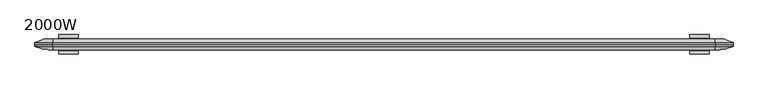
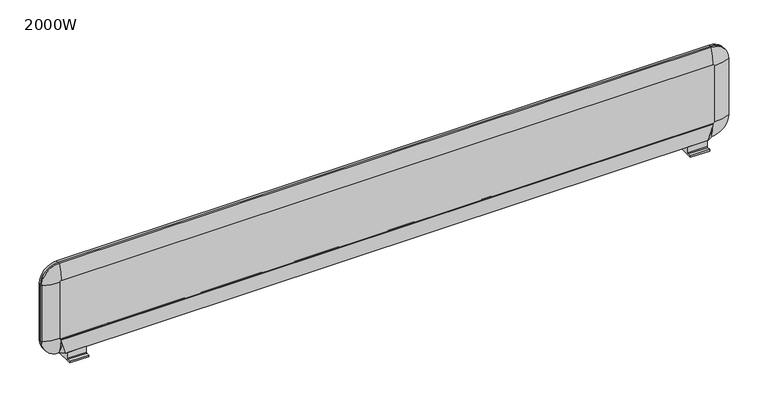
"""IFC4 building model written with IfcOpenShell, lengths in millimetres: furniture geometry, 2000W."""

import ifcopenshell
import ifcopenshell.guid

model = None  # the IFC model being written
_history = None  # IfcOwnerHistory: only IFC2X3 demands one
_inside = {}  # id of a spatial element -> (the spatial element, [elements in it])
_under = {}  # id of a project, library or spatial element -> (it, [spatial elements below it])
_declared = {}  # id of a project -> (the project, [libraries it declares])
_typed = {}  # id of a type object -> (the type object, [elements of that type])
_made_of = {}  # id of a material, layer set ... -> (it, [elements and type objects made of it])


def new_model(schema):
    """Start an empty IFC model of exactly this schema.

    Asked for "IFC4X3", IfcOpenShell would pick the latest addendum, in which some entities
    have other attributes; the version numbers below select the first issue.
    IFC2X3 requires an IfcOwnerHistory on every rooted entity: one is made here for all.
    """
    global model, _history
    if schema == "IFC4X3":
        model = ifcopenshell.file(schema_version=(4, 3, 0, 0))
    else:
        model = ifcopenshell.file(schema=schema)
    _inside.clear()
    _under.clear()
    _declared.clear()
    _typed.clear()
    _made_of.clear()
    _history = None
    if model.schema == "IFC2X3":
        org = make("IfcOrganization", Name="unknown")
        user = make(
            "IfcPersonAndOrganization",
            ThePerson=make("IfcPerson", FamilyName="unknown"),
            TheOrganization=org,
        )
        app = make(
            "IfcApplication",
            ApplicationDeveloper=org,
            Version="unknown",
            ApplicationFullName="unknown",
            ApplicationIdentifier="unknown",
        )
        _history = make(
            "IfcOwnerHistory",
            OwningUser=user,
            OwningApplication=app,
            ChangeAction="ADDED",
            CreationDate=0,
        )
    return model


def make(cls, **values):
    """One entity of the class cls with the attributes given. An attribute that is None is left unset."""
    return model.create_entity(
        cls, **{name: value for name, value in values.items() if value is not None}
    )


def rooted(cls, **values):
    """An entity with a GlobalId (a new one), such as an element, a storey or a relation."""
    return make(cls, GlobalId=ifcopenshell.guid.new(), OwnerHistory=_history, **values)


def si_unit(unit_type, name, prefix=None):
    """IfcSIUnit, for example si_unit("LENGTHUNIT", "METRE", prefix="MILLI")."""
    return make("IfcSIUnit", UnitType=unit_type, Prefix=prefix, Name=name)


def assignment(units):
    """IfcUnitAssignment: the units of a project."""
    return None if units is None else make("IfcUnitAssignment", Units=units)


def point(xyz):
    """IfcCartesianPoint."""
    return None if xyz is None else make("IfcCartesianPoint", Coordinates=xyz)


def direction(xyz):
    """IfcDirection."""
    return None if xyz is None else make("IfcDirection", DirectionRatios=xyz)


def frame(location, z_axis=None, x_axis=None):
    """IfcAxis2Placement3D, a coordinate frame: its origin and axes. An axis left out is left unset."""
    return make(
        "IfcAxis2Placement3D",
        Location=point(location),
        Axis=direction(z_axis),
        RefDirection=direction(x_axis),
    )


def frame_2d(location, x_axis=None):
    """IfcAxis2Placement2D, a coordinate frame in the plane: its origin and x axis."""
    return make(
        "IfcAxis2Placement2D", Location=point(location), RefDirection=direction(x_axis)
    )


def origin():
    """The frame at (0, 0, 0) with its axes left unset."""
    return frame((0.0, 0.0, 0.0))


def place(relative_to, where):
    """IfcLocalPlacement: puts the frame where relative to a parent placement (None: the world)."""
    return make(
        "IfcLocalPlacement", PlacementRelTo=relative_to, RelativePlacement=where
    )


def context(
    kind, dimensions, precision=None, world=None, true_north=None, identifier=None
):
    """IfcGeometricRepresentationContext, for example the 3D "Model" context."""
    return make(
        "IfcGeometricRepresentationContext",
        ContextIdentifier=identifier,
        ContextType=kind,
        CoordinateSpaceDimension=dimensions,
        Precision=precision,
        WorldCoordinateSystem=world,
        TrueNorth=true_north,
    )


def project(units=None, contexts=None):
    """IfcProject with its units and contexts."""
    return rooted(
        "IfcProject",
        Name="project",
        RepresentationContexts=contexts,
        UnitsInContext=assignment(units),
    )


def spatial(cls, under=None, at=None, **own):
    """A site, building, storey or space (cls), placed at a placement, below another one or the project."""
    s = rooted(cls, ObjectPlacement=at, **own)
    if under is not None:
        _under.setdefault(under.id(), (under, []))[1].append(s)
    return s


def polyline(points):
    """IfcPolyline through the points."""
    return make("IfcPolyline", Points=[point(p) for p in points])


def circle_curve(where, radius):
    """IfcCircle in the frame where."""
    return make("IfcCircle", Position=where, Radius=radius)


def ellipse_curve(where, semi_axis1, semi_axis2):
    """IfcEllipse in the frame where."""
    return make(
        "IfcEllipse", Position=where, SemiAxis1=semi_axis1, SemiAxis2=semi_axis2
    )


def trimmed(basis, trim1, trim2, sense, master):
    """IfcTrimmedCurve: the piece of a basis curve between two trims."""
    return make(
        "IfcTrimmedCurve",
        BasisCurve=basis,
        Trim1=trim1,
        Trim2=trim2,
        SenseAgreement=sense,
        MasterRepresentation=master,
    )


def segment(curve, same_sense, transition):
    """IfcCompositeCurveSegment."""
    return make(
        "IfcCompositeCurveSegment",
        Transition=transition,
        SameSense=same_sense,
        ParentCurve=curve,
    )


def composite_curve(segments, self_intersect=None):
    """IfcCompositeCurve: segments joined end to end."""
    return make("IfcCompositeCurve", Segments=segments, SelfIntersect=self_intersect)


def outline(outer, holes=None, kind="AREA"):
    """IfcArbitraryClosedProfileDef: a profile drawn as a closed curve; with holes, ...WithVoids."""
    if holes is None:
        return make("IfcArbitraryClosedProfileDef", ProfileType=kind, OuterCurve=outer)
    return make(
        "IfcArbitraryProfileDefWithVoids",
        ProfileType=kind,
        OuterCurve=outer,
        InnerCurves=holes,
    )


def extrude(swept, where, along, depth):
    """IfcExtrudedAreaSolid: the profile swept, set in the frame where, extruded along a direction by depth."""
    return make(
        "IfcExtrudedAreaSolid",
        SweptArea=swept,
        Position=where,
        ExtrudedDirection=direction(along),
        Depth=depth,
    )


def faces_of(points, faces, orient=None, outer=None):
    """IfcFace entities. A face is a list of loops; a loop is a list of indices into points, from 0.

    orient and outer hold one flag for each loop. By default every Orientation is true, the
    first loop of a face is its IfcFaceOuterBound and the others are IfcFaceBound.
    """
    made = []
    for i, loops in enumerate(faces):
        bounds = []
        for j, loop in enumerate(loops):
            is_outer = j == 0 if outer is None else outer[i][j]
            bounds.append(
                make(
                    "IfcFaceOuterBound" if is_outer else "IfcFaceBound",
                    Bound=make("IfcPolyLoop", Polygon=[points[k] for k in loop]),
                    Orientation=True if orient is None else orient[i][j],
                )
            )
        made.append(make("IfcFace", Bounds=bounds))
    return made


def faceted_brep(points, faces, orient=None, outer=None, voids=None):
    """IfcFacetedBrep: a solid bounded by flat faces; with voids (closed shells), ...WithVoids."""
    shared = [point(p) for p in points]
    hull = make("IfcClosedShell", CfsFaces=faces_of(shared, faces, orient, outer))
    if voids is None:
        return make("IfcFacetedBrep", Outer=hull)
    return make(
        "IfcFacetedBrepWithVoids",
        Outer=hull,
        Voids=[
            make(cls, CfsFaces=faces_of(shared, fs, o, b)) for cls, fs, o, b in voids
        ],
    )


def shape(context_of_items, identifier, shape_type, items):
    """IfcShapeRepresentation: the items that make up one representation, for example the "Body"."""
    return make(
        "IfcShapeRepresentation",
        ContextOfItems=context_of_items,
        RepresentationIdentifier=identifier,
        RepresentationType=shape_type,
        Items=items,
    )


def source(mapping_origin, context_of_items, identifier, shape_type, items):
    """IfcRepresentationMap: a shape defined once, which mapped items show again and again."""
    return make(
        "IfcRepresentationMap",
        MappingOrigin=mapping_origin,
        MappedRepresentation=shape(context_of_items, identifier, shape_type, items),
    )


def transform(
    local_origin,
    x_axis=None,
    y_axis=None,
    z_axis=None,
    scale=None,
    scale2=None,
    scale3=None,
    uniform=True,
):
    """IfcCartesianTransformationOperator3D, or its non-uniform kind. x_axis, y_axis, z_axis: its Axis1, 2, 3."""
    if uniform:
        return make(
            "IfcCartesianTransformationOperator3D",
            Axis1=direction(x_axis),
            Axis2=direction(y_axis),
            LocalOrigin=point(local_origin),
            Scale=scale,
            Axis3=direction(z_axis),
        )
    return make(
        "IfcCartesianTransformationOperator3DnonUniform",
        Axis1=direction(x_axis),
        Axis2=direction(y_axis),
        LocalOrigin=point(local_origin),
        Scale=scale,
        Axis3=direction(z_axis),
        Scale2=scale2,
        Scale3=scale3,
    )


def mapped(mapping_source, mapping_target):
    """IfcMappedItem: shows the shape of a source again, moved by a transform."""
    return make(
        "IfcMappedItem", MappingSource=mapping_source, MappingTarget=mapping_target
    )


def made_of(thing, what):
    """Note that an element or type object is made of a material, layer set ...; save() writes the relation."""
    if what is not None:
        _made_of.setdefault(what.id(), (what, []))[1].append(thing)
    return thing


def element(
    cls,
    number,
    at=None,
    inside=None,
    cuts=None,
    type_object=None,
    material=None,
    context=None,
    identifier="Body",
    shape_type=None,
    held_by="IfcProductDefinitionShape",
    body=None,
    shapes=None,
    **own,
):
    """One element of the class cls, such as IfcWall. Its Tag is "e" and its number.

    at: its placement. inside: the storey or other place that contains it. cuts: it is an
    opening in that element (IfcRelVoidsElement). A single representation is given by context,
    identifier, shape_type and body (its items); several are given by shapes. held_by: the class
    of the entity that holds the representations. save() writes the other relations.
    """
    e = rooted(cls, Tag="e%d" % number, ObjectPlacement=at, **own)
    if body is not None:
        shapes = [shape(context, identifier, shape_type, body)]
    if shapes is not None:
        e.Representation = make(held_by, Representations=shapes)
    if inside is not None:
        _inside.setdefault(inside.id(), (inside, []))[1].append(e)
    if cuts is not None:
        rooted(
            "IfcRelVoidsElement", RelatingBuildingElement=cuts, RelatedOpeningElement=e
        )
    if type_object is not None:
        _typed.setdefault(type_object.id(), (type_object, []))[1].append(e)
    return made_of(e, material)


def aggregate(whole, parts):
    """IfcRelAggregates: a whole, such as a stair, and the parts it consists of."""
    return rooted("IfcRelAggregates", RelatingObject=whole, RelatedObjects=parts)


def save(model, path):
    """Write the relations noted so far, then the file.

    IfcRelAggregates (storeys below a building ...), IfcRelContainedInSpatialStructure (elements
    in a storey), IfcRelDefinesByType, IfcRelAssociatesMaterial and IfcRelDeclares: one each for
    every whole, place, type object, material and project.
    """
    for whole, parts in _under.values():
        aggregate(whole, parts)
    for where, things in _inside.values():
        rooted(
            "IfcRelContainedInSpatialStructure",
            RelatedElements=things,
            RelatingStructure=where,
        )
    for kind, things in _typed.values():
        rooted("IfcRelDefinesByType", RelatedObjects=things, RelatingType=kind)
    for what, things in _made_of.values():
        rooted("IfcRelAssociatesMaterial", RelatedObjects=things, RelatingMaterial=what)
    for by, libraries in _declared.values():
        rooted("IfcRelDeclares", RelatingContext=by, RelatedDefinitions=libraries)
    model.write(path)


def plane_surface(at):
    """IfcPlane: the flat surface through the origin of the frame at, square to its z axis."""
    return make("IfcPlane", Position=at)


def cylinder_surface(at, radius):
    """IfcCylindricalSurface: all points at the distance radius from the z axis of the frame at."""
    return make("IfcCylindricalSurface", Position=at, Radius=radius)


def revolved_surface(curve, axis_point, axis_direction):
    """IfcSurfaceOfRevolution: the curve turned about the line through axis_point along axis_direction."""
    return make(
        "IfcSurfaceOfRevolution",
        SweptCurve=make("IfcArbitraryOpenProfileDef", ProfileType="CURVE", Curve=curve),
        AxisPosition=make("IfcAxis1Placement", Location=point(axis_point), Axis=direction(axis_direction)),
    )


def advanced_brep(points, edges, surfaces, faces):
    """IfcAdvancedBrep: a solid bounded by faces that lie on surfaces and meet in shared edges.

    An edge is (start, end): straight between two places in points (the first is 0);
    or (start, end, curve); or (start, end, curve, False) where it runs against its curve.
    A face is (place in surfaces, loops), or (place, loops, False) where it looks against
    its surface's normal. A loop lists edges by number (the first is 1), with a minus sign
    where the edge is run from its end to its start. The first loop is the outer one.
    """
    corners = [point(p) for p in points]
    vertices = [make("IfcVertexPoint", VertexGeometry=c) for c in corners]
    made = []
    for start, end, *more in edges:
        made.append(
            make(
                "IfcEdgeCurve",
                EdgeStart=vertices[start],
                EdgeEnd=vertices[end],
                EdgeGeometry=more[0] if more else make("IfcPolyline", Points=[corners[start], corners[end]]),
                SameSense=more[1] if len(more) > 1 else True,
            )
        )
    hull = []
    for where, loops, *sense in faces:
        bounds = []
        for j, loop in enumerate(loops):
            ring = [make("IfcOrientedEdge", EdgeElement=made[abs(k) - 1], Orientation=k > 0) for k in loop]
            bounds.append(
                make(
                    "IfcFaceOuterBound" if j == 0 else "IfcFaceBound",
                    Bound=make("IfcEdgeLoop", EdgeList=ring),
                    Orientation=True,
                )
            )
        hull.append(make("IfcAdvancedFace", Bounds=bounds, FaceSurface=surfaces[where], SameSense=sense[0] if sense else True))
    return make("IfcAdvancedBrep", Outer=make("IfcClosedShell", CfsFaces=hull))


def furniture_2000w_4a5990be(model_context):
    return source(origin(), model_context, "Body", "SolidModel", [
        extrude(outline(composite_curve([segment(polyline([(-16.0, 720.0), (16.0, 720.0), (16.0, 702.3182333)]), True, "CONTINUOUS"), segment(trimmed(circle_curve(frame_2d((18.0, 702.3182333)), 2.0), [point((16.0, 702.3182333))], [point((18.0, 700.3182333))], True, "CARTESIAN"), True, "CONTINUOUS"), segment(polyline([(18.0, 700.3182333), (28.0, 700.3182333), (28.0, 695.5000725), (-28.0, 695.5000725), (-28.0, 700.3182333), (-18.0, 700.3182333)]), True, "CONTINUOUS"), segment(trimmed(circle_curve(frame_2d((-18.0, 702.3182333)), 2.0), [point((-18.0, 700.3182333))], [point((-16.0, 702.3182333))], True, "CARTESIAN"), True, "CONTINUOUS"), segment(polyline([(-16.0, 702.3182333), (-16.0, 720.0)]), True, "CONTINUOUS")], self_intersect=False)), frame((-931.498, 0.0, 0.0), z_axis=(1.0, 0.0, 0.0), x_axis=(0.0, 1.0, 0.0)), (0.0, 0.0, 1.0), 56.0),
        extrude(outline(composite_curve([segment(polyline([(-16.0, 720.0), (16.0, 720.0), (16.0, 702.3182333)]), True, "CONTINUOUS"), segment(trimmed(circle_curve(frame_2d((18.0, 702.3182333)), 2.0), [point((16.0, 702.3182333))], [point((18.0, 700.3182333))], True, "CARTESIAN"), True, "CONTINUOUS"), segment(polyline([(18.0, 700.3182333), (28.0, 700.3182333), (28.0, 695.5000725), (-28.0, 695.5000725), (-28.0, 700.3182333), (-18.0, 700.3182333)]), True, "CONTINUOUS"), segment(trimmed(circle_curve(frame_2d((-18.0, 702.3182333)), 2.0), [point((-18.0, 700.3182333))], [point((-16.0, 702.3182333))], True, "CARTESIAN"), True, "CONTINUOUS"), segment(polyline([(-16.0, 702.3182333), (-16.0, 720.0)]), True, "CONTINUOUS")], self_intersect=False)), frame((875.498, 0.0, 0.0), z_axis=(1.0, 0.0, 0.0), x_axis=(0.0, 1.0, 0.0)), (0.0, 0.0, 1.0), 56.0),
        advanced_brep(
        [(999.998, 6.0, 944.0), (999.998, 0.0, 944.0), (999.998, 0.0, 771.0), (999.998, 6.0, 771.0), (948.998, 6.0, 720.0), (948.998, 0.0, 720.0), (-948.998, 0.0, 720.0), (-948.998, 6.0, 720.0), (-999.998, 6.0, 771.0), (-999.998, 0.0, 771.0), (-999.998, 0.0, 944.0), (-999.998, 6.0, 944.0), (-948.998, 6.0, 995.0), (-948.998, 0.0, 995.0), (948.998, 0.0, 995.0), (948.998, 6.0, 995.0), (952.0396848, 16.0, 944.0), (948.998, 16.0, 947.0416848), (952.0396848, 16.0, 771.0), (948.998, 16.0, 767.9583152), (-948.998, 16.0, 767.9583152), (-952.0396848, 16.0, 771.0), (-952.0396848, 16.0, 944.0), (-948.998, 16.0, 947.0416848)],
        [
            (0, 1),
            (1, 2),
            (2, 3),
            (3, 0),
            (4, 5),
            (5, 6),
            (6, 7),
            (7, 4),
            (8, 9),
            (9, 10),
            (10, 11),
            (11, 8),
            (12, 13),
            (13, 14),
            (14, 15),
            (15, 12),
            (0, 15, circle_curve(frame((948.998, 6.0, 944.0), z_axis=(0.0, -1.0, 0.0), x_axis=(0.0, 0.0, 1.0)), 51.0)),
            (14, 1, circle_curve(frame((948.998, 0.0, 944.0), z_axis=(0.0, 1.0, 0.0), x_axis=(0.0, 0.0, 1.0)), 51.0)),
            (2, 5, circle_curve(frame((948.998, 0.0, 771.0), z_axis=(0.0, 1.0, 0.0), x_axis=(1.0, 0.0, 0.0)), 51.0)),
            (4, 3, circle_curve(frame((948.998, 6.0, 771.0), z_axis=(0.0, -1.0, 0.0), x_axis=(1.0, 0.0, 0.0)), 51.0)),
            (6, 9, circle_curve(frame((-948.998, 0.0, 771.0), z_axis=(0.0, 1.0, 0.0), x_axis=(0.0, 0.0, -1.0)), 51.0)),
            (8, 7, circle_curve(frame((-948.998, 6.0, 771.0), z_axis=(0.0, -1.0, 0.0), x_axis=(0.0, 0.0, -1.0)), 51.0)),
            (10, 13, circle_curve(frame((-948.998, 0.0, 944.0), z_axis=(0.0, 1.0, 0.0), x_axis=(-1.0, 0.0, 0.0)), 51.0)),
            (12, 11, circle_curve(frame((-948.998, 6.0, 944.0), z_axis=(0.0, -1.0, 0.0), x_axis=(-1.0, 0.0, 0.0)), 51.0)),
            (0, 16, circle_curve(frame((952.0396848, -104.0, 944.0), z_axis=(0.0, 0.0, 1.0), x_axis=(-1.0, 0.0, 0.0)), 120.0)),
            (16, 17, circle_curve(frame((948.998, 16.0, 944.0), z_axis=(0.0, -1.0, 0.0), x_axis=(0.0, 0.0, 1.0)), 3.0416848)),
            (17, 15, circle_curve(frame((948.998, -104.0, 947.0416848), z_axis=(1.0, 0.0, 0.0), x_axis=(0.0, 0.0, -1.0)), 120.0)),
            (3, 18, circle_curve(frame((952.0396848, -104.0, 771.0), z_axis=(0.0, 0.0, 1.0), x_axis=(-1.0, 0.0, 0.0)), 120.0)),
            (18, 16),
            (4, 19, circle_curve(frame((948.998, -104.0, 767.9583152), z_axis=(1.0, 0.0, 0.0), x_axis=(0.0, 0.0, 1.0)), 120.0)),
            (19, 18, circle_curve(frame((948.998, 16.0, 771.0), z_axis=(0.0, -1.0, 0.0), x_axis=(1.0, 0.0, 0.0)), 3.0416848)),
            (7, 20, circle_curve(frame((-948.998, -104.0, 767.9583152), z_axis=(1.0, 0.0, 0.0), x_axis=(0.0, 0.0, 1.0)), 120.0)),
            (20, 19),
            (8, 21, circle_curve(frame((-952.0396848, -104.0, 771.0), z_axis=(0.0, 0.0, -1.0), x_axis=(1.0, 0.0, 0.0)), 120.0)),
            (21, 20, circle_curve(frame((-948.998, 16.0, 771.0), z_axis=(0.0, -1.0, 0.0), x_axis=(0.0, 0.0, -1.0)), 3.0416848)),
            (11, 22, circle_curve(frame((-952.0396848, -104.0, 944.0), z_axis=(0.0, 0.0, -1.0), x_axis=(1.0, 0.0, 0.0)), 120.0)),
            (22, 21),
            (12, 23, circle_curve(frame((-948.998, -104.0, 947.0416848), z_axis=(-1.0, 0.0, 0.0), x_axis=(0.0, 0.0, -1.0)), 120.0)),
            (23, 22, circle_curve(frame((-948.998, 16.0, 944.0), z_axis=(0.0, -1.0, 0.0), x_axis=(-1.0, 0.0, 0.0)), 3.0416848)),
            (17, 23),
        ],
        [
            plane_surface(frame((999.998, 0.0, 944.0), z_axis=(1.0, 0.0, 0.0), x_axis=(0.0, 0.0, -1.0))),
            plane_surface(frame((948.998, 0.0, 720.0), z_axis=(0.0, 0.0, -1.0), x_axis=(-1.0, 0.0, 0.0))),
            plane_surface(frame((-999.998, 0.0, 771.0), z_axis=(-1.0, 0.0, 0.0), x_axis=(0.0, 0.0, 1.0))),
            plane_surface(frame((-948.998, 0.0, 995.0), z_axis=(0.0, 0.0, 1.0), x_axis=(1.0, 0.0, 0.0))),
            cylinder_surface(frame((948.998, 0.0, 944.0), z_axis=(0.0, 1.0, 0.0), x_axis=(0.0, 0.0, 1.0)), 51.0),
            cylinder_surface(frame((948.998, 0.0, 771.0), z_axis=(0.0, 1.0, 0.0), x_axis=(1.0, 0.0, 0.0)), 51.0),
            cylinder_surface(frame((-948.998, 0.0, 771.0), z_axis=(0.0, 1.0, 0.0), x_axis=(0.0, 0.0, -1.0)), 51.0),
            cylinder_surface(frame((-948.998, 0.0, 944.0), z_axis=(0.0, 1.0, 0.0), x_axis=(-1.0, 0.0, 0.0)), 51.0),
            plane_surface(frame((-948.998, 0.0, 945.0), z_axis=(0.0, -1.0, 0.0), x_axis=(1.0, 0.0, 0.0))),
            revolved_surface(trimmed(ellipse_curve(frame((948.998, -104.0, 947.0416848), z_axis=(-1.0, 0.0, 0.0), x_axis=(0.0, 0.0, -1.0)), 120.0, 120.0), [point((948.998, 6.0, 995.0))], [point((948.998, 16.0, 947.0416848))], True, "CARTESIAN"), (948.998, 0.0, 944.0), (0.0, 1.0, 0.0)),
            cylinder_surface(frame((952.0396848, -104.0, 944.0), z_axis=(0.0, 0.0, 1.0), x_axis=(-1.0, 0.0, 0.0)), 120.0),
            revolved_surface(trimmed(ellipse_curve(frame((952.0396848, -104.0, 771.0), z_axis=(0.0, 0.0, 1.0), x_axis=(-1.0, 0.0, 0.0)), 120.0, 120.0), [point((999.998, 6.0, 771.0))], [point((952.0396848, 16.0, 771.0))], True, "CARTESIAN"), (948.998, 0.0, 771.0), (0.0, 1.0, 0.0)),
            cylinder_surface(frame((948.998, -104.0, 767.9583152), z_axis=(1.0, 0.0, 0.0), x_axis=(0.0, 0.0, 1.0)), 120.0),
            revolved_surface(trimmed(ellipse_curve(frame((-948.998, -104.0, 767.9583152), z_axis=(1.0, 0.0, 0.0), x_axis=(0.0, 0.0, 1.0)), 120.0, 120.0), [point((-948.998, 6.0, 720.0))], [point((-948.998, 16.0, 767.9583152))], True, "CARTESIAN"), (-948.998, 0.0, 771.0), (0.0, 1.0, 0.0)),
            cylinder_surface(frame((-952.0396848, -104.0, 771.0), z_axis=(0.0, 0.0, -1.0), x_axis=(1.0, 0.0, 0.0)), 120.0),
            revolved_surface(trimmed(ellipse_curve(frame((-952.0396848, -104.0, 944.0), z_axis=(0.0, 0.0, -1.0), x_axis=(1.0, 0.0, 0.0)), 120.0, 120.0), [point((-999.998, 6.0, 944.0))], [point((-952.0396848, 16.0, 944.0))], True, "CARTESIAN"), (-948.998, 0.0, 944.0), (0.0, 1.0, 0.0)),
            cylinder_surface(frame((-948.998, -104.0, 947.0416848), z_axis=(-1.0, 0.0, 0.0), x_axis=(0.0, 0.0, -1.0)), 120.0),
            plane_surface(frame((-948.998, 16.0, 947.0416848), z_axis=(0.0, 1.0, 0.0), x_axis=(1.0, 0.0, 0.0))),
        ],
        [
            (0, [[1, 2, 3, 4]]),
            (1, [[5, 6, 7, 8]]),
            (2, [[9, 10, 11, 12]]),
            (3, [[13, 14, 15, 16]]),
            (4, [[-1, 17, -15, 18]]),
            (5, [[-3, 19, -5, 20]]),
            (6, [[-7, 21, -9, 22]]),
            (7, [[-11, 23, -13, 24]]),
            (8, [[-2, -18, -14, -23, -10, -21, -6, -19]]),
            (9, [[-17, 25, 26, 27]]),
            (10, [[-4, 28, 29, -25]]),
            (11, [[-20, 30, 31, -28]]),
            (12, [[-8, 32, 33, -30]]),
            (13, [[-22, 34, 35, -32]]),
            (14, [[-12, 36, 37, -34]]),
            (15, [[-24, 38, 39, -36]]),
            (16, [[-16, -27, 40, -38]]),
            (17, [[-26, -29, -31, -33, -35, -37, -39, -40]]),
        ],
    ),
        advanced_brep(
        [(948.998, -16.0, 947.0416848), (-948.998, -16.0, 947.0416848), (-952.0396848, -16.0, 944.0), (-952.0396848, -16.0, 771.0), (-948.998, -16.0, 767.9583152), (948.998, -16.0, 767.9583152), (952.0396848, -16.0, 771.0), (952.0396848, -16.0, 944.0), (999.998, 0.0, 944.0), (999.998, 0.0, 771.0), (948.998, 0.0, 720.0), (-948.998, 0.0, 720.0), (-999.998, 0.0, 771.0), (-999.998, 0.0, 944.0), (-948.998, 0.0, 995.0), (948.998, 0.0, 995.0), (999.998, -6.0, 944.0), (999.998, -6.0, 771.0), (948.998, -6.0, 720.0), (-948.998, -6.0, 720.0), (-999.998, -6.0, 771.0), (-999.998, -6.0, 944.0), (-948.998, -6.0, 995.0), (948.998, -6.0, 995.0)],
        [
            (0, 1),
            (1, 2, circle_curve(frame((-948.998, -16.0, 944.0), z_axis=(0.0, -1.0, 0.0), x_axis=(-1.0, 0.0, 0.0)), 3.0416848)),
            (2, 3),
            (3, 4, circle_curve(frame((-948.998, -16.0, 771.0), z_axis=(0.0, -1.0, 0.0), x_axis=(0.0, 0.0, -1.0)), 3.0416848)),
            (4, 5),
            (5, 6, circle_curve(frame((948.998, -16.0, 771.0), z_axis=(0.0, -1.0, 0.0), x_axis=(1.0, 0.0, 0.0)), 3.0416848)),
            (6, 7),
            (7, 0, circle_curve(frame((948.998, -16.0, 944.0), z_axis=(0.0, -1.0, 0.0), x_axis=(0.0, 0.0, 1.0)), 3.0416848)),
            (8, 9),
            (9, 10, circle_curve(frame((948.998, 0.0, 771.0), z_axis=(0.0, 1.0, 0.0), x_axis=(1.0, 0.0, 0.0)), 51.0)),
            (10, 11),
            (11, 12, circle_curve(frame((-948.998, 0.0, 771.0), z_axis=(0.0, 1.0, 0.0), x_axis=(0.0, 0.0, -1.0)), 51.0)),
            (12, 13),
            (13, 14, circle_curve(frame((-948.998, 0.0, 944.0), z_axis=(0.0, 1.0, 0.0), x_axis=(-1.0, 0.0, 0.0)), 51.0)),
            (14, 15),
            (15, 8, circle_curve(frame((948.998, 0.0, 944.0), z_axis=(0.0, 1.0, 0.0), x_axis=(0.0, 0.0, 1.0)), 51.0)),
            (8, 16),
            (16, 17),
            (17, 9),
            (10, 18),
            (18, 19),
            (19, 11),
            (12, 20),
            (20, 21),
            (21, 13),
            (14, 22),
            (22, 23),
            (23, 15),
            (23, 16, circle_curve(frame((948.998, -6.0, 944.0), z_axis=(0.0, 1.0, 0.0), x_axis=(0.0, 0.0, 1.0)), 51.0)),
            (17, 18, circle_curve(frame((948.998, -6.0, 771.0), z_axis=(0.0, 1.0, 0.0), x_axis=(1.0, 0.0, 0.0)), 51.0)),
            (19, 20, circle_curve(frame((-948.998, -6.0, 771.0), z_axis=(0.0, 1.0, 0.0), x_axis=(0.0, 0.0, -1.0)), 51.0)),
            (21, 22, circle_curve(frame((-948.998, -6.0, 944.0), z_axis=(0.0, 1.0, 0.0), x_axis=(-1.0, 0.0, 0.0)), 51.0)),
            (23, 0, circle_curve(frame((948.998, 104.0, 947.0416848), z_axis=(1.0, 0.0, 0.0), x_axis=(0.0, 0.0, 1.0)), 120.0)),
            (7, 16, circle_curve(frame((952.0396848, 104.0, 944.0), z_axis=(0.0, 0.0, 1.0), x_axis=(1.0, 0.0, 0.0)), 120.0)),
            (6, 17, circle_curve(frame((952.0396848, 104.0, 771.0), z_axis=(0.0, 0.0, 1.0), x_axis=(1.0, 0.0, 0.0)), 120.0)),
            (5, 18, circle_curve(frame((948.998, 104.0, 767.9583152), z_axis=(1.0, 0.0, 0.0), x_axis=(0.0, 0.0, -1.0)), 120.0)),
            (4, 19, circle_curve(frame((-948.998, 104.0, 767.9583152), z_axis=(1.0, 0.0, 0.0), x_axis=(0.0, 0.0, -1.0)), 120.0)),
            (3, 20, circle_curve(frame((-952.0396848, 104.0, 771.0), z_axis=(0.0, 0.0, -1.0), x_axis=(-1.0, 0.0, 0.0)), 120.0)),
            (2, 21, circle_curve(frame((-952.0396848, 104.0, 944.0), z_axis=(0.0, 0.0, -1.0), x_axis=(-1.0, 0.0, 0.0)), 120.0)),
            (1, 22, circle_curve(frame((-948.998, 104.0, 947.0416848), z_axis=(-1.0, 0.0, 0.0), x_axis=(0.0, 0.0, 1.0)), 120.0)),
        ],
        [
            plane_surface(frame((-947.998, -16.0, 944.0), z_axis=(0.0, -1.0, 0.0), x_axis=(0.0, 0.0, 1.0))),
            plane_surface(frame((-947.998, 0.0, 944.0), z_axis=(0.0, 1.0, 0.0), x_axis=(0.0, 0.0, -1.0))),
            plane_surface(frame((999.998, -6.0, 944.0), z_axis=(1.0, 0.0, 0.0), x_axis=(0.0, 0.0, -1.0))),
            plane_surface(frame((948.998, -6.0, 720.0), z_axis=(0.0, 0.0, -1.0), x_axis=(-1.0, 0.0, 0.0))),
            plane_surface(frame((-999.998, -6.0, 771.0), z_axis=(-1.0, 0.0, 0.0), x_axis=(0.0, 0.0, 1.0))),
            plane_surface(frame((-948.998, -6.0, 995.0), z_axis=(0.0, 0.0, 1.0), x_axis=(1.0, 0.0, 0.0))),
            cylinder_surface(frame((948.998, 0.0, 944.0), z_axis=(0.0, 1.0, 0.0), x_axis=(0.0, 0.0, 1.0)), 51.0),
            cylinder_surface(frame((948.998, 0.0, 771.0), z_axis=(0.0, 1.0, 0.0), x_axis=(1.0, 0.0, 0.0)), 51.0),
            cylinder_surface(frame((-948.998, 0.0, 771.0), z_axis=(0.0, 1.0, 0.0), x_axis=(0.0, 0.0, -1.0)), 51.0),
            cylinder_surface(frame((-948.998, 0.0, 944.0), z_axis=(0.0, 1.0, 0.0), x_axis=(-1.0, 0.0, 0.0)), 51.0),
            revolved_surface(trimmed(ellipse_curve(frame((948.998, 104.0, 947.0416848), z_axis=(-1.0, 0.0, 0.0), x_axis=(0.0, 0.0, 1.0)), 120.0, 120.0), [point((948.998, -16.0, 947.0416848))], [point((948.998, -6.0, 995.0))], True, "CARTESIAN"), (948.998, 0.0, 944.0), (0.0, 1.0, 0.0)),
            cylinder_surface(frame((952.0396848, 104.0, 944.0), z_axis=(0.0, 0.0, 1.0), x_axis=(1.0, 0.0, 0.0)), 120.0),
            revolved_surface(trimmed(ellipse_curve(frame((952.0396848, 104.0, 771.0), z_axis=(0.0, 0.0, 1.0), x_axis=(1.0, 0.0, 0.0)), 120.0, 120.0), [point((952.0396848, -16.0, 771.0))], [point((999.998, -6.0, 771.0))], True, "CARTESIAN"), (948.998, 0.0, 771.0), (0.0, 1.0, 0.0)),
            cylinder_surface(frame((948.998, 104.0, 767.9583152), z_axis=(1.0, 0.0, 0.0), x_axis=(0.0, 0.0, -1.0)), 120.0),
            revolved_surface(trimmed(ellipse_curve(frame((-948.998, 104.0, 767.9583152), z_axis=(1.0, 0.0, 0.0), x_axis=(0.0, 0.0, -1.0)), 120.0, 120.0), [point((-948.998, -16.0, 767.9583152))], [point((-948.998, -6.0, 720.0))], True, "CARTESIAN"), (-948.998, 0.0, 771.0), (0.0, 1.0, 0.0)),
            cylinder_surface(frame((-952.0396848, 104.0, 771.0), z_axis=(0.0, 0.0, -1.0), x_axis=(-1.0, 0.0, 0.0)), 120.0),
            revolved_surface(trimmed(ellipse_curve(frame((-952.0396848, 104.0, 944.0), z_axis=(0.0, 0.0, -1.0), x_axis=(-1.0, 0.0, 0.0)), 120.0, 120.0), [point((-952.0396848, -16.0, 944.0))], [point((-999.998, -6.0, 944.0))], True, "CARTESIAN"), (-948.998, 0.0, 944.0), (0.0, 1.0, 0.0)),
            cylinder_surface(frame((-948.998, 104.0, 947.0416848), z_axis=(-1.0, 0.0, 0.0), x_axis=(0.0, 0.0, 1.0)), 120.0),
        ],
        [
            (0, [[1, 2, 3, 4, 5, 6, 7, 8]]),
            (1, [[9, 10, 11, 12, 13, 14, 15, 16]]),
            (2, [[17, 18, 19, -9]]),
            (3, [[20, 21, 22, -11]]),
            (4, [[23, 24, 25, -13]]),
            (5, [[26, 27, 28, -15]]),
            (6, [[-17, -16, -28, 29]]),
            (7, [[-19, 30, -20, -10]]),
            (8, [[-22, 31, -23, -12]]),
            (9, [[-25, 32, -26, -14]]),
            (10, [[-29, 33, -8, 34]]),
            (11, [[-18, -34, -7, 35]]),
            (12, [[-30, -35, -6, 36]]),
            (13, [[-21, -36, -5, 37]]),
            (14, [[-31, -37, -4, 38]]),
            (15, [[-24, -38, -3, 39]]),
            (16, [[-32, -39, -2, 40]]),
            (17, [[-27, -40, -1, -33]]),
        ],
    ),
        faceted_brep([(949.998, 16.0, 770.0), (-949.998, 16.0, 770.0), (-949.998, -16.0, 770.0), (949.998, -16.0, 770.0), (934.998, 16.0, 720.0), (949.998, 6.0, 720.0), (949.998, -6.0, 720.0), (934.998, -16.0, 720.0), (-934.998, -16.0, 720.0), (-949.998, -6.0, 720.0), (-949.998, 6.0, 720.0), (-934.998, 16.0, 720.0)], [[[0, 1, 2, 3]], [[4, 5, 6, 7, 8, 9, 10, 11]], [[8, 7, 3, 2]], [[7, 6, 3]], [[6, 5, 0, 3]], [[5, 4, 0]], [[4, 11, 1, 0]], [[10, 9, 2, 1]], [[11, 10, 1]], [[9, 8, 2]]]),
    ])


if __name__ == "__main__":
    model = new_model("IFC4")
    model_context = context("Model", 3, world=origin())
    ifc_project = project(units=[si_unit("LENGTHUNIT", "METRE", prefix="MILLI")], contexts=[model_context])
    site = spatial("IfcSite", under=ifc_project)
    building = spatial("IfcBuilding", under=site)
    placement = place(None, origin())
    furniture_2000w_shape = furniture_2000w_4a5990be(model_context)
    element("IfcFurniture", 1, ObjectType="2000W", at=placement, inside=building, context=model_context, shape_type="MappedRepresentation", body=[
        mapped(furniture_2000w_shape, transform((0.0, 0.0, 0.0), x_axis=(1.0, 0.0, 0.0), y_axis=(0.0, 1.0, 0.0), z_axis=(0.0, 0.0, 1.0))),
    ])
    save(model, "model.ifc")
